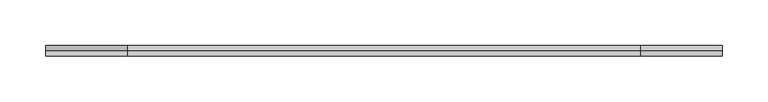
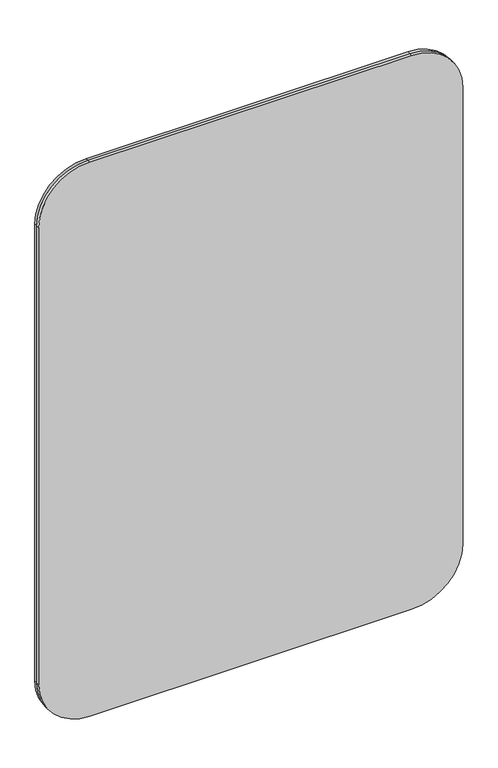
"""IFC4 building model written with IfcOpenShell, lengths in millimetres: furniture geometry."""

import ifcopenshell
import ifcopenshell.guid

model = None  # the IFC model being written
_history = None  # IfcOwnerHistory: only IFC2X3 demands one
_inside = {}  # id of a spatial element -> (the spatial element, [elements in it])
_under = {}  # id of a project, library or spatial element -> (it, [spatial elements below it])
_declared = {}  # id of a project -> (the project, [libraries it declares])
_typed = {}  # id of a type object -> (the type object, [elements of that type])
_made_of = {}  # id of a material, layer set ... -> (it, [elements and type objects made of it])


def new_model(schema):
    """Start an empty IFC model of exactly this schema.

    Asked for "IFC4X3", IfcOpenShell would pick the latest addendum, in which some entities
    have other attributes; the version numbers below select the first issue.
    IFC2X3 requires an IfcOwnerHistory on every rooted entity: one is made here for all.
    """
    global model, _history
    if schema == "IFC4X3":
        model = ifcopenshell.file(schema_version=(4, 3, 0, 0))
    else:
        model = ifcopenshell.file(schema=schema)
    _inside.clear()
    _under.clear()
    _declared.clear()
    _typed.clear()
    _made_of.clear()
    _history = None
    if model.schema == "IFC2X3":
        org = make("IfcOrganization", Name="unknown")
        user = make(
            "IfcPersonAndOrganization",
            ThePerson=make("IfcPerson", FamilyName="unknown"),
            TheOrganization=org,
        )
        app = make(
            "IfcApplication",
            ApplicationDeveloper=org,
            Version="unknown",
            ApplicationFullName="unknown",
            ApplicationIdentifier="unknown",
        )
        _history = make(
            "IfcOwnerHistory",
            OwningUser=user,
            OwningApplication=app,
            ChangeAction="ADDED",
            CreationDate=0,
        )
    return model


def make(cls, **values):
    """One entity of the class cls with the attributes given. An attribute that is None is left unset."""
    return model.create_entity(
        cls, **{name: value for name, value in values.items() if value is not None}
    )


def rooted(cls, **values):
    """An entity with a GlobalId (a new one), such as an element, a storey or a relation."""
    return make(cls, GlobalId=ifcopenshell.guid.new(), OwnerHistory=_history, **values)


def si_unit(unit_type, name, prefix=None):
    """IfcSIUnit, for example si_unit("LENGTHUNIT", "METRE", prefix="MILLI")."""
    return make("IfcSIUnit", UnitType=unit_type, Prefix=prefix, Name=name)


def assignment(units):
    """IfcUnitAssignment: the units of a project."""
    return None if units is None else make("IfcUnitAssignment", Units=units)


def point(xyz):
    """IfcCartesianPoint."""
    return None if xyz is None else make("IfcCartesianPoint", Coordinates=xyz)


def direction(xyz):
    """IfcDirection."""
    return None if xyz is None else make("IfcDirection", DirectionRatios=xyz)


def frame(location, z_axis=None, x_axis=None):
    """IfcAxis2Placement3D, a coordinate frame: its origin and axes. An axis left out is left unset."""
    return make(
        "IfcAxis2Placement3D",
        Location=point(location),
        Axis=direction(z_axis),
        RefDirection=direction(x_axis),
    )


def frame_2d(location, x_axis=None):
    """IfcAxis2Placement2D, a coordinate frame in the plane: its origin and x axis."""
    return make(
        "IfcAxis2Placement2D", Location=point(location), RefDirection=direction(x_axis)
    )


def origin():
    """The frame at (0, 0, 0) with its axes left unset."""
    return frame((0.0, 0.0, 0.0))


def place(relative_to, where):
    """IfcLocalPlacement: puts the frame where relative to a parent placement (None: the world)."""
    return make(
        "IfcLocalPlacement", PlacementRelTo=relative_to, RelativePlacement=where
    )


def context(
    kind, dimensions, precision=None, world=None, true_north=None, identifier=None
):
    """IfcGeometricRepresentationContext, for example the 3D "Model" context."""
    return make(
        "IfcGeometricRepresentationContext",
        ContextIdentifier=identifier,
        ContextType=kind,
        CoordinateSpaceDimension=dimensions,
        Precision=precision,
        WorldCoordinateSystem=world,
        TrueNorth=true_north,
    )


def project(units=None, contexts=None):
    """IfcProject with its units and contexts."""
    return rooted(
        "IfcProject",
        Name="project",
        RepresentationContexts=contexts,
        UnitsInContext=assignment(units),
    )


def spatial(cls, under=None, at=None, **own):
    """A site, building, storey or space (cls), placed at a placement, below another one or the project."""
    s = rooted(cls, ObjectPlacement=at, **own)
    if under is not None:
        _under.setdefault(under.id(), (under, []))[1].append(s)
    return s


def polyline(points):
    """IfcPolyline through the points."""
    return make("IfcPolyline", Points=[point(p) for p in points])


def circle_curve(where, radius):
    """IfcCircle in the frame where."""
    return make("IfcCircle", Position=where, Radius=radius)


def trimmed(basis, trim1, trim2, sense, master):
    """IfcTrimmedCurve: the piece of a basis curve between two trims."""
    return make(
        "IfcTrimmedCurve",
        BasisCurve=basis,
        Trim1=trim1,
        Trim2=trim2,
        SenseAgreement=sense,
        MasterRepresentation=master,
    )


def segment(curve, same_sense, transition):
    """IfcCompositeCurveSegment."""
    return make(
        "IfcCompositeCurveSegment",
        Transition=transition,
        SameSense=same_sense,
        ParentCurve=curve,
    )


def composite_curve(segments, self_intersect=None):
    """IfcCompositeCurve: segments joined end to end."""
    return make("IfcCompositeCurve", Segments=segments, SelfIntersect=self_intersect)


def outline(outer, holes=None, kind="AREA"):
    """IfcArbitraryClosedProfileDef: a profile drawn as a closed curve; with holes, ...WithVoids."""
    if holes is None:
        return make("IfcArbitraryClosedProfileDef", ProfileType=kind, OuterCurve=outer)
    return make(
        "IfcArbitraryProfileDefWithVoids",
        ProfileType=kind,
        OuterCurve=outer,
        InnerCurves=holes,
    )


def extrude(swept, where, along, depth):
    """IfcExtrudedAreaSolid: the profile swept, set in the frame where, extruded along a direction by depth."""
    return make(
        "IfcExtrudedAreaSolid",
        SweptArea=swept,
        Position=where,
        ExtrudedDirection=direction(along),
        Depth=depth,
    )


def shape(context_of_items, identifier, shape_type, items):
    """IfcShapeRepresentation: the items that make up one representation, for example the "Body"."""
    return make(
        "IfcShapeRepresentation",
        ContextOfItems=context_of_items,
        RepresentationIdentifier=identifier,
        RepresentationType=shape_type,
        Items=items,
    )


def source(mapping_origin, context_of_items, identifier, shape_type, items):
    """IfcRepresentationMap: a shape defined once, which mapped items show again and again."""
    return make(
        "IfcRepresentationMap",
        MappingOrigin=mapping_origin,
        MappedRepresentation=shape(context_of_items, identifier, shape_type, items),
    )


def transform(
    local_origin,
    x_axis=None,
    y_axis=None,
    z_axis=None,
    scale=None,
    scale2=None,
    scale3=None,
    uniform=True,
):
    """IfcCartesianTransformationOperator3D, or its non-uniform kind. x_axis, y_axis, z_axis: its Axis1, 2, 3."""
    if uniform:
        return make(
            "IfcCartesianTransformationOperator3D",
            Axis1=direction(x_axis),
            Axis2=direction(y_axis),
            LocalOrigin=point(local_origin),
            Scale=scale,
            Axis3=direction(z_axis),
        )
    return make(
        "IfcCartesianTransformationOperator3DnonUniform",
        Axis1=direction(x_axis),
        Axis2=direction(y_axis),
        LocalOrigin=point(local_origin),
        Scale=scale,
        Axis3=direction(z_axis),
        Scale2=scale2,
        Scale3=scale3,
    )


def mapped(mapping_source, mapping_target):
    """IfcMappedItem: shows the shape of a source again, moved by a transform."""
    return make(
        "IfcMappedItem", MappingSource=mapping_source, MappingTarget=mapping_target
    )


def made_of(thing, what):
    """Note that an element or type object is made of a material, layer set ...; save() writes the relation."""
    if what is not None:
        _made_of.setdefault(what.id(), (what, []))[1].append(thing)
    return thing


def element(
    cls,
    number,
    at=None,
    inside=None,
    cuts=None,
    type_object=None,
    material=None,
    context=None,
    identifier="Body",
    shape_type=None,
    held_by="IfcProductDefinitionShape",
    body=None,
    shapes=None,
    **own,
):
    """One element of the class cls, such as IfcWall. Its Tag is "e" and its number.

    at: its placement. inside: the storey or other place that contains it. cuts: it is an
    opening in that element (IfcRelVoidsElement). A single representation is given by context,
    identifier, shape_type and body (its items); several are given by shapes. held_by: the class
    of the entity that holds the representations. save() writes the other relations.
    """
    e = rooted(cls, Tag="e%d" % number, ObjectPlacement=at, **own)
    if body is not None:
        shapes = [shape(context, identifier, shape_type, body)]
    if shapes is not None:
        e.Representation = make(held_by, Representations=shapes)
    if inside is not None:
        _inside.setdefault(inside.id(), (inside, []))[1].append(e)
    if cuts is not None:
        rooted(
            "IfcRelVoidsElement", RelatingBuildingElement=cuts, RelatedOpeningElement=e
        )
    if type_object is not None:
        _typed.setdefault(type_object.id(), (type_object, []))[1].append(e)
    return made_of(e, material)


def aggregate(whole, parts):
    """IfcRelAggregates: a whole, such as a stair, and the parts it consists of."""
    return rooted("IfcRelAggregates", RelatingObject=whole, RelatedObjects=parts)


def save(model, path):
    """Write the relations noted so far, then the file.

    IfcRelAggregates (storeys below a building ...), IfcRelContainedInSpatialStructure (elements
    in a storey), IfcRelDefinesByType, IfcRelAssociatesMaterial and IfcRelDeclares: one each for
    every whole, place, type object, material and project.
    """
    for whole, parts in _under.values():
        aggregate(whole, parts)
    for where, things in _inside.values():
        rooted(
            "IfcRelContainedInSpatialStructure",
            RelatedElements=things,
            RelatingStructure=where,
        )
    for kind, things in _typed.values():
        rooted("IfcRelDefinesByType", RelatedObjects=things, RelatingType=kind)
    for what, things in _made_of.values():
        rooted("IfcRelAssociatesMaterial", RelatedObjects=things, RelatingMaterial=what)
    for by, libraries in _declared.values():
        rooted("IfcRelDeclares", RelatingContext=by, RelatedDefinitions=libraries)
    model.write(path)


def furniture_d7318108(model_context):
    return source(origin(), model_context, "Body", "SweptSolid", [
        extrude(outline(composite_curve([segment(polyline([(1219.2000969, 660.4), (1219.2000969, 101.6)]), True, "CONTINUOUS"), segment(trimmed(circle_curve(frame_2d((1130.3000969, 101.6)), 88.9), [point((1219.2000969, 101.6))], [point((1130.3000969, 12.7))], False, "CARTESIAN"), True, "CONTINUOUS"), segment(polyline([(1130.3000969, 12.7), (292.1000969, 12.7)]), True, "CONTINUOUS"), segment(trimmed(circle_curve(frame_2d((292.1000969, 101.6)), 88.9), [point((292.1000969, 12.7))], [point((203.2000969, 101.6))], False, "CARTESIAN"), True, "CONTINUOUS"), segment(polyline([(203.2000969, 101.6), (203.2000969, 660.4)]), True, "CONTINUOUS"), segment(trimmed(circle_curve(frame_2d((292.1000969, 660.4)), 88.9), [point((203.2000969, 660.4))], [point((292.1000969, 749.3))], False, "CARTESIAN"), True, "CONTINUOUS"), segment(polyline([(292.1000969, 749.3), (1130.3000969, 749.3)]), True, "CONTINUOUS"), segment(trimmed(circle_curve(frame_2d((1130.3000969, 660.4)), 88.9), [point((1130.3000969, 749.3))], [point((1219.2000969, 660.4))], False, "CARTESIAN"), True, "CONTINUOUS")], self_intersect=False)), frame((0.0, -11.1761355, 0.0), z_axis=(0.0, 1.0, 0.0), x_axis=(0.0, 0.0, 1.0)), (0.0, 0.0, 1.0), 5.5880677),
        extrude(outline(composite_curve([segment(polyline([(1219.2000969, 660.4), (1219.2000969, 101.6)]), True, "CONTINUOUS"), segment(trimmed(circle_curve(frame_2d((1130.3000969, 101.6)), 88.9), [point((1219.2000969, 101.6))], [point((1130.3000969, 12.7))], False, "CARTESIAN"), True, "CONTINUOUS"), segment(polyline([(1130.3000969, 12.7), (292.1000969, 12.7)]), True, "CONTINUOUS"), segment(trimmed(circle_curve(frame_2d((292.1000969, 101.6)), 88.9), [point((292.1000969, 12.7))], [point((203.2000969, 101.6))], False, "CARTESIAN"), True, "CONTINUOUS"), segment(polyline([(203.2000969, 101.6), (203.2000969, 660.4)]), True, "CONTINUOUS"), segment(trimmed(circle_curve(frame_2d((292.1000969, 660.4)), 88.9), [point((203.2000969, 660.4))], [point((292.1000969, 749.3))], False, "CARTESIAN"), True, "CONTINUOUS"), segment(polyline([(292.1000969, 749.3), (1130.3000969, 749.3)]), True, "CONTINUOUS"), segment(trimmed(circle_curve(frame_2d((1130.3000969, 660.4)), 88.9), [point((1130.3000969, 749.3))], [point((1219.2000969, 660.4))], False, "CARTESIAN"), True, "CONTINUOUS")], self_intersect=False)), frame((0.0, -5.5880677, 0.0), z_axis=(0.0, 1.0, 0.0), x_axis=(0.0, 0.0, 1.0)), (0.0, 0.0, 1.0), 5.5880677),
    ])


if __name__ == "__main__":
    model = new_model("IFC4")
    model_context = context("Model", 3, world=origin())
    ifc_project = project(units=[si_unit("LENGTHUNIT", "METRE", prefix="MILLI")], contexts=[model_context])
    site = spatial("IfcSite", under=ifc_project)
    building = spatial("IfcBuilding", under=site)
    placement = place(None, origin())
    furniture_shape = furniture_d7318108(model_context)
    element("IfcFurniture", 1, at=placement, inside=building, context=model_context, shape_type="MappedRepresentation", body=[
        mapped(furniture_shape, transform((0.0, 0.0, 0.0), x_axis=(1.0, 0.0, 0.0), y_axis=(0.0, 1.0, 0.0), z_axis=(0.0, 0.0, 1.0))),
    ])
    save(model, "model.ifc")
